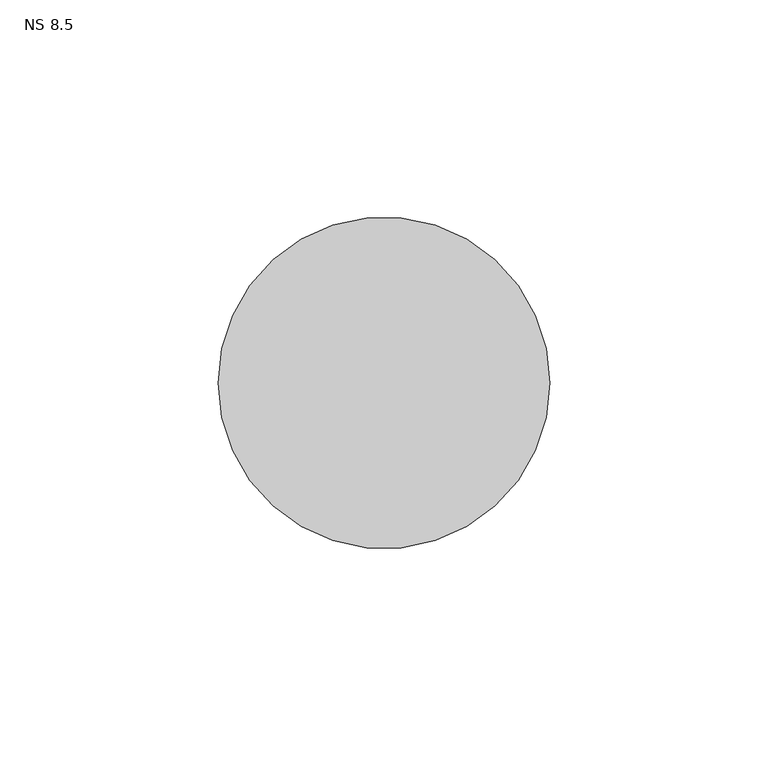
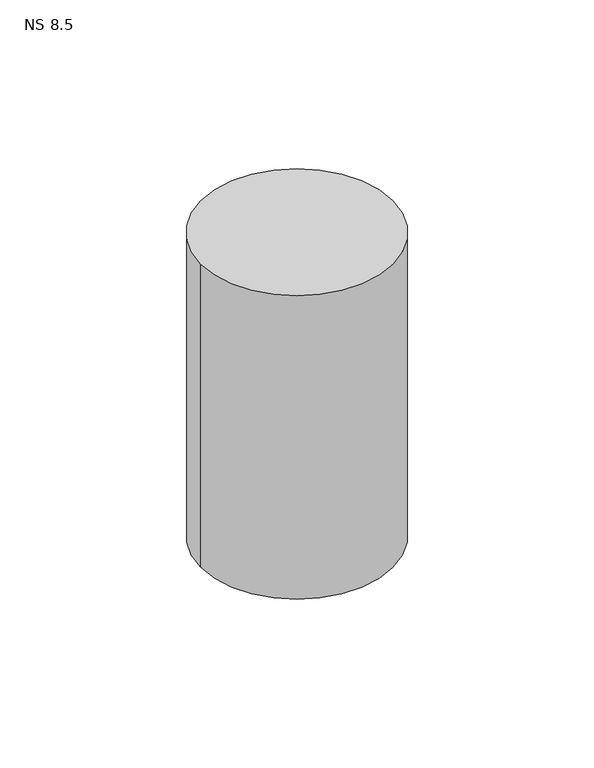
"""IFC4 building model written with IfcOpenShell, lengths in millimetres: unitary equipment geometry, NS 8.5."""

from ifc_helpers import new_model, si_unit, point, frame, frame_2d, origin, place, context, project, spatial, circle_curve, trimmed, segment, composite_curve, outline, extrude, source, transform, mapped, element, save


def ns_8_5_016eade7(model_context):
    return source(origin(), model_context, "Body", "SweptSolid", [
        extrude(outline(composite_curve([segment(trimmed(circle_curve(frame_2d((-915.2, 281.1395574)), 38.0), [point((-953.2, 281.1395574))], [point((-877.2, 281.1395574))], False, "CARTESIAN"), True, "CONTINUOUS"), segment(trimmed(circle_curve(frame_2d((-915.2, 281.1395574)), 38.0), [point((-877.2, 281.1395574))], [point((-953.2, 281.1395574))], False, "CARTESIAN"), True, "CONTINUOUS")], self_intersect=False)), frame((0.0, 0.0, 1510.0), z_axis=(0.0, 0.0, 1.0), x_axis=(1.0, 0.0, 0.0)), (0.0, 0.0, 1.0), 127.0),
    ])


if __name__ == "__main__":
    model = new_model("IFC4")
    model_context = context("Model", 3, world=origin())
    ifc_project = project(units=[si_unit("LENGTHUNIT", "METRE", prefix="MILLI")], contexts=[model_context])
    site = spatial("IfcSite", under=ifc_project)
    building = spatial("IfcBuilding", under=site)
    placement = place(None, origin())
    ns_8_5_shape = ns_8_5_016eade7(model_context)
    element("IfcUnitaryEquipment", 1, ObjectType="NS 8.5", at=placement, inside=building, context=model_context, shape_type="MappedRepresentation", body=[
        mapped(ns_8_5_shape, transform((0.0, 0.0, 0.0), x_axis=(1.0, 0.0, 0.0), y_axis=(0.0, 1.0, 0.0), z_axis=(0.0, 0.0, 1.0))),
    ])
    save(model, "model.ifc")
